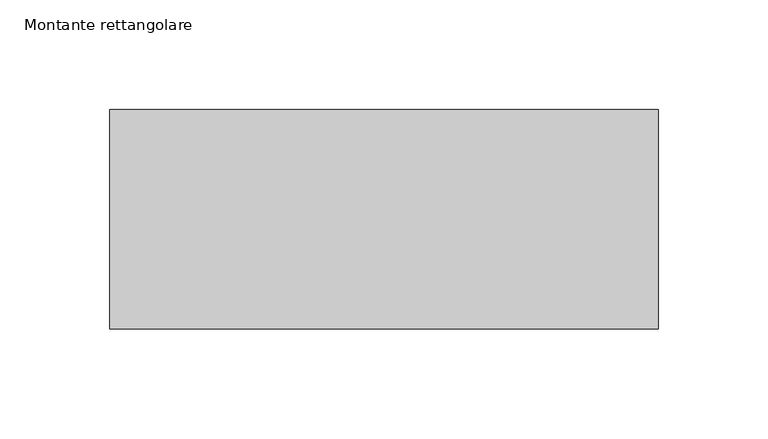
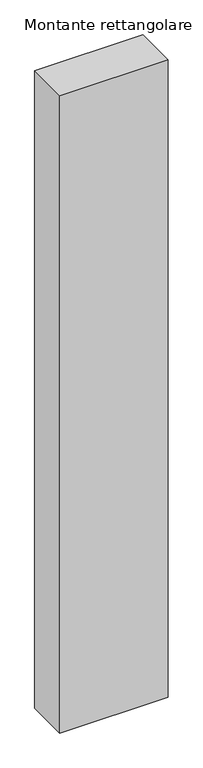
"""IFC4 building model written with IfcOpenShell, lengths in millimetres: member geometry, Montante rettangolare."""

import ifcopenshell
import ifcopenshell.guid

model = None  # the IFC model being written
_history = None  # IfcOwnerHistory: only IFC2X3 demands one
_inside = {}  # id of a spatial element -> (the spatial element, [elements in it])
_under = {}  # id of a project, library or spatial element -> (it, [spatial elements below it])
_declared = {}  # id of a project -> (the project, [libraries it declares])
_typed = {}  # id of a type object -> (the type object, [elements of that type])
_made_of = {}  # id of a material, layer set ... -> (it, [elements and type objects made of it])


def new_model(schema):
    """Start an empty IFC model of exactly this schema.

    Asked for "IFC4X3", IfcOpenShell would pick the latest addendum, in which some entities
    have other attributes; the version numbers below select the first issue.
    IFC2X3 requires an IfcOwnerHistory on every rooted entity: one is made here for all.
    """
    global model, _history
    if schema == "IFC4X3":
        model = ifcopenshell.file(schema_version=(4, 3, 0, 0))
    else:
        model = ifcopenshell.file(schema=schema)
    _inside.clear()
    _under.clear()
    _declared.clear()
    _typed.clear()
    _made_of.clear()
    _history = None
    if model.schema == "IFC2X3":
        org = make("IfcOrganization", Name="unknown")
        user = make(
            "IfcPersonAndOrganization",
            ThePerson=make("IfcPerson", FamilyName="unknown"),
            TheOrganization=org,
        )
        app = make(
            "IfcApplication",
            ApplicationDeveloper=org,
            Version="unknown",
            ApplicationFullName="unknown",
            ApplicationIdentifier="unknown",
        )
        _history = make(
            "IfcOwnerHistory",
            OwningUser=user,
            OwningApplication=app,
            ChangeAction="ADDED",
            CreationDate=0,
        )
    return model


def make(cls, **values):
    """One entity of the class cls with the attributes given. An attribute that is None is left unset."""
    return model.create_entity(
        cls, **{name: value for name, value in values.items() if value is not None}
    )


def rooted(cls, **values):
    """An entity with a GlobalId (a new one), such as an element, a storey or a relation."""
    return make(cls, GlobalId=ifcopenshell.guid.new(), OwnerHistory=_history, **values)


def si_unit(unit_type, name, prefix=None):
    """IfcSIUnit, for example si_unit("LENGTHUNIT", "METRE", prefix="MILLI")."""
    return make("IfcSIUnit", UnitType=unit_type, Prefix=prefix, Name=name)


def assignment(units):
    """IfcUnitAssignment: the units of a project."""
    return None if units is None else make("IfcUnitAssignment", Units=units)


def point(xyz):
    """IfcCartesianPoint."""
    return None if xyz is None else make("IfcCartesianPoint", Coordinates=xyz)


def direction(xyz):
    """IfcDirection."""
    return None if xyz is None else make("IfcDirection", DirectionRatios=xyz)


def frame(location, z_axis=None, x_axis=None):
    """IfcAxis2Placement3D, a coordinate frame: its origin and axes. An axis left out is left unset."""
    return make(
        "IfcAxis2Placement3D",
        Location=point(location),
        Axis=direction(z_axis),
        RefDirection=direction(x_axis),
    )


def origin():
    """The frame at (0, 0, 0) with its axes left unset."""
    return frame((0.0, 0.0, 0.0))


def place(relative_to, where):
    """IfcLocalPlacement: puts the frame where relative to a parent placement (None: the world)."""
    return make(
        "IfcLocalPlacement", PlacementRelTo=relative_to, RelativePlacement=where
    )


def context(
    kind, dimensions, precision=None, world=None, true_north=None, identifier=None
):
    """IfcGeometricRepresentationContext, for example the 3D "Model" context."""
    return make(
        "IfcGeometricRepresentationContext",
        ContextIdentifier=identifier,
        ContextType=kind,
        CoordinateSpaceDimension=dimensions,
        Precision=precision,
        WorldCoordinateSystem=world,
        TrueNorth=true_north,
    )


def project(units=None, contexts=None):
    """IfcProject with its units and contexts."""
    return rooted(
        "IfcProject",
        Name="project",
        RepresentationContexts=contexts,
        UnitsInContext=assignment(units),
    )


def spatial(cls, under=None, at=None, **own):
    """A site, building, storey or space (cls), placed at a placement, below another one or the project."""
    s = rooted(cls, ObjectPlacement=at, **own)
    if under is not None:
        _under.setdefault(under.id(), (under, []))[1].append(s)
    return s


def polyline(points):
    """IfcPolyline through the points."""
    return make("IfcPolyline", Points=[point(p) for p in points])


def outline(outer, holes=None, kind="AREA"):
    """IfcArbitraryClosedProfileDef: a profile drawn as a closed curve; with holes, ...WithVoids."""
    if holes is None:
        return make("IfcArbitraryClosedProfileDef", ProfileType=kind, OuterCurve=outer)
    return make(
        "IfcArbitraryProfileDefWithVoids",
        ProfileType=kind,
        OuterCurve=outer,
        InnerCurves=holes,
    )


def extrude(swept, where, along, depth):
    """IfcExtrudedAreaSolid: the profile swept, set in the frame where, extruded along a direction by depth."""
    return make(
        "IfcExtrudedAreaSolid",
        SweptArea=swept,
        Position=where,
        ExtrudedDirection=direction(along),
        Depth=depth,
    )


def shape(context_of_items, identifier, shape_type, items):
    """IfcShapeRepresentation: the items that make up one representation, for example the "Body"."""
    return make(
        "IfcShapeRepresentation",
        ContextOfItems=context_of_items,
        RepresentationIdentifier=identifier,
        RepresentationType=shape_type,
        Items=items,
    )


def source(mapping_origin, context_of_items, identifier, shape_type, items):
    """IfcRepresentationMap: a shape defined once, which mapped items show again and again."""
    return make(
        "IfcRepresentationMap",
        MappingOrigin=mapping_origin,
        MappedRepresentation=shape(context_of_items, identifier, shape_type, items),
    )


def transform(
    local_origin,
    x_axis=None,
    y_axis=None,
    z_axis=None,
    scale=None,
    scale2=None,
    scale3=None,
    uniform=True,
):
    """IfcCartesianTransformationOperator3D, or its non-uniform kind. x_axis, y_axis, z_axis: its Axis1, 2, 3."""
    if uniform:
        return make(
            "IfcCartesianTransformationOperator3D",
            Axis1=direction(x_axis),
            Axis2=direction(y_axis),
            LocalOrigin=point(local_origin),
            Scale=scale,
            Axis3=direction(z_axis),
        )
    return make(
        "IfcCartesianTransformationOperator3DnonUniform",
        Axis1=direction(x_axis),
        Axis2=direction(y_axis),
        LocalOrigin=point(local_origin),
        Scale=scale,
        Axis3=direction(z_axis),
        Scale2=scale2,
        Scale3=scale3,
    )


def mapped(mapping_source, mapping_target):
    """IfcMappedItem: shows the shape of a source again, moved by a transform."""
    return make(
        "IfcMappedItem", MappingSource=mapping_source, MappingTarget=mapping_target
    )


def made_of(thing, what):
    """Note that an element or type object is made of a material, layer set ...; save() writes the relation."""
    if what is not None:
        _made_of.setdefault(what.id(), (what, []))[1].append(thing)
    return thing


def element(
    cls,
    number,
    at=None,
    inside=None,
    cuts=None,
    type_object=None,
    material=None,
    context=None,
    identifier="Body",
    shape_type=None,
    held_by="IfcProductDefinitionShape",
    body=None,
    shapes=None,
    **own,
):
    """One element of the class cls, such as IfcWall. Its Tag is "e" and its number.

    at: its placement. inside: the storey or other place that contains it. cuts: it is an
    opening in that element (IfcRelVoidsElement). A single representation is given by context,
    identifier, shape_type and body (its items); several are given by shapes. held_by: the class
    of the entity that holds the representations. save() writes the other relations.
    """
    e = rooted(cls, Tag="e%d" % number, ObjectPlacement=at, **own)
    if body is not None:
        shapes = [shape(context, identifier, shape_type, body)]
    if shapes is not None:
        e.Representation = make(held_by, Representations=shapes)
    if inside is not None:
        _inside.setdefault(inside.id(), (inside, []))[1].append(e)
    if cuts is not None:
        rooted(
            "IfcRelVoidsElement", RelatingBuildingElement=cuts, RelatedOpeningElement=e
        )
    if type_object is not None:
        _typed.setdefault(type_object.id(), (type_object, []))[1].append(e)
    return made_of(e, material)


def aggregate(whole, parts):
    """IfcRelAggregates: a whole, such as a stair, and the parts it consists of."""
    return rooted("IfcRelAggregates", RelatingObject=whole, RelatedObjects=parts)


def save(model, path):
    """Write the relations noted so far, then the file.

    IfcRelAggregates (storeys below a building ...), IfcRelContainedInSpatialStructure (elements
    in a storey), IfcRelDefinesByType, IfcRelAssociatesMaterial and IfcRelDeclares: one each for
    every whole, place, type object, material and project.
    """
    for whole, parts in _under.values():
        aggregate(whole, parts)
    for where, things in _inside.values():
        rooted(
            "IfcRelContainedInSpatialStructure",
            RelatedElements=things,
            RelatingStructure=where,
        )
    for kind, things in _typed.values():
        rooted("IfcRelDefinesByType", RelatedObjects=things, RelatingType=kind)
    for what, things in _made_of.values():
        rooted("IfcRelAssociatesMaterial", RelatedObjects=things, RelatingMaterial=what)
    for by, libraries in _declared.values():
        rooted("IfcRelDeclares", RelatingContext=by, RelatedDefinitions=libraries)
    model.write(path)


def montante_rettangolare_f76af21c(model_context):
    return source(origin(), model_context, "Body", "SweptSolid", [
        extrude(outline(polyline([(125.0, 50.0), (125.0, -50.0), (-125.0, -50.0), (-125.0, 50.0), (125.0, 50.0)])), frame((0.0, 0.0, -1555.0), z_axis=(0.0, 0.0, 1.0), x_axis=(1.0, 0.0, 0.0)), (0.0, 0.0, 1.0), 1555.0),
    ])


if __name__ == "__main__":
    model = new_model("IFC4")
    model_context = context("Model", 3, world=origin())
    ifc_project = project(units=[si_unit("LENGTHUNIT", "METRE", prefix="MILLI")], contexts=[model_context])
    site = spatial("IfcSite", under=ifc_project)
    building = spatial("IfcBuilding", under=site)
    placement = place(None, origin())
    montante_rettangolare_shape = montante_rettangolare_f76af21c(model_context)
    element("IfcMember", 1, ObjectType="Montante rettangolare", at=placement, inside=building, context=model_context, shape_type="MappedRepresentation", body=[
        mapped(montante_rettangolare_shape, transform((0.0, 0.0, 0.0), x_axis=(1.0, 0.0, 0.0), y_axis=(0.0, 1.0, 0.0), z_axis=(0.0, 0.0, 1.0))),
    ])
    save(model, "model.ifc")
